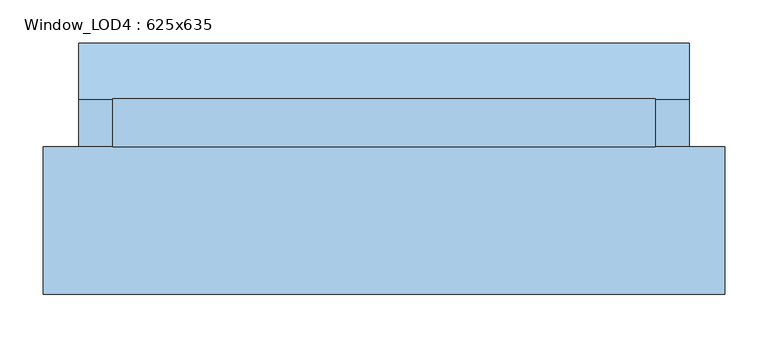
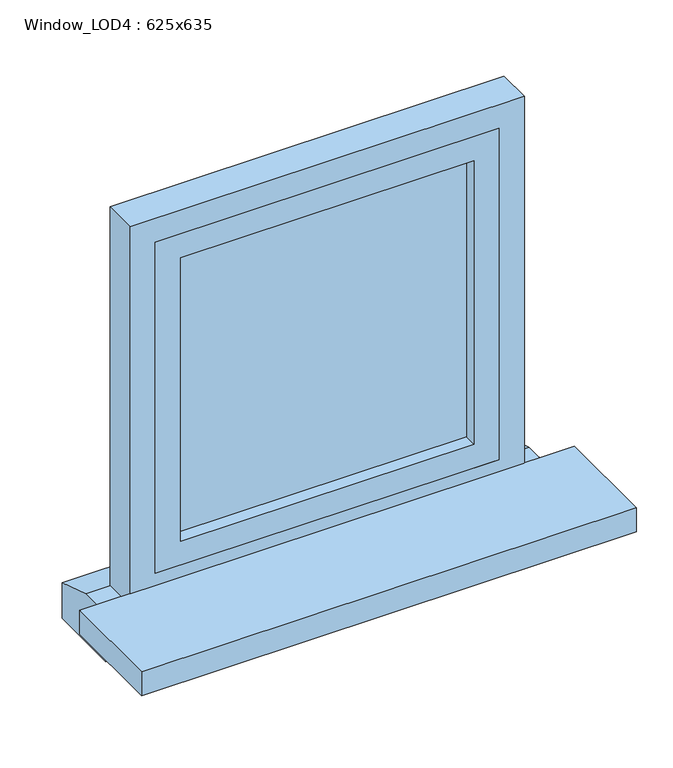
"""IFC4 building model written with IfcOpenShell, lengths in millimetres: window geometry, Window_LOD4 : 625x635."""

import ifcopenshell
import ifcopenshell.guid

model = None  # the IFC model being written
_history = None  # IfcOwnerHistory: only IFC2X3 demands one
_inside = {}  # id of a spatial element -> (the spatial element, [elements in it])
_under = {}  # id of a project, library or spatial element -> (it, [spatial elements below it])
_declared = {}  # id of a project -> (the project, [libraries it declares])
_typed = {}  # id of a type object -> (the type object, [elements of that type])
_made_of = {}  # id of a material, layer set ... -> (it, [elements and type objects made of it])


def new_model(schema):
    """Start an empty IFC model of exactly this schema.

    Asked for "IFC4X3", IfcOpenShell would pick the latest addendum, in which some entities
    have other attributes; the version numbers below select the first issue.
    IFC2X3 requires an IfcOwnerHistory on every rooted entity: one is made here for all.
    """
    global model, _history
    if schema == "IFC4X3":
        model = ifcopenshell.file(schema_version=(4, 3, 0, 0))
    else:
        model = ifcopenshell.file(schema=schema)
    _inside.clear()
    _under.clear()
    _declared.clear()
    _typed.clear()
    _made_of.clear()
    _history = None
    if model.schema == "IFC2X3":
        org = make("IfcOrganization", Name="unknown")
        user = make(
            "IfcPersonAndOrganization",
            ThePerson=make("IfcPerson", FamilyName="unknown"),
            TheOrganization=org,
        )
        app = make(
            "IfcApplication",
            ApplicationDeveloper=org,
            Version="unknown",
            ApplicationFullName="unknown",
            ApplicationIdentifier="unknown",
        )
        _history = make(
            "IfcOwnerHistory",
            OwningUser=user,
            OwningApplication=app,
            ChangeAction="ADDED",
            CreationDate=0,
        )
    return model


def make(cls, **values):
    """One entity of the class cls with the attributes given. An attribute that is None is left unset."""
    return model.create_entity(
        cls, **{name: value for name, value in values.items() if value is not None}
    )


def rooted(cls, **values):
    """An entity with a GlobalId (a new one), such as an element, a storey or a relation."""
    return make(cls, GlobalId=ifcopenshell.guid.new(), OwnerHistory=_history, **values)


def si_unit(unit_type, name, prefix=None):
    """IfcSIUnit, for example si_unit("LENGTHUNIT", "METRE", prefix="MILLI")."""
    return make("IfcSIUnit", UnitType=unit_type, Prefix=prefix, Name=name)


def assignment(units):
    """IfcUnitAssignment: the units of a project."""
    return None if units is None else make("IfcUnitAssignment", Units=units)


def point(xyz):
    """IfcCartesianPoint."""
    return None if xyz is None else make("IfcCartesianPoint", Coordinates=xyz)


def direction(xyz):
    """IfcDirection."""
    return None if xyz is None else make("IfcDirection", DirectionRatios=xyz)


def frame(location, z_axis=None, x_axis=None):
    """IfcAxis2Placement3D, a coordinate frame: its origin and axes. An axis left out is left unset."""
    return make(
        "IfcAxis2Placement3D",
        Location=point(location),
        Axis=direction(z_axis),
        RefDirection=direction(x_axis),
    )


def origin():
    """The frame at (0, 0, 0) with its axes left unset."""
    return frame((0.0, 0.0, 0.0))


def place(relative_to, where):
    """IfcLocalPlacement: puts the frame where relative to a parent placement (None: the world)."""
    return make(
        "IfcLocalPlacement", PlacementRelTo=relative_to, RelativePlacement=where
    )


def context(
    kind, dimensions, precision=None, world=None, true_north=None, identifier=None
):
    """IfcGeometricRepresentationContext, for example the 3D "Model" context."""
    return make(
        "IfcGeometricRepresentationContext",
        ContextIdentifier=identifier,
        ContextType=kind,
        CoordinateSpaceDimension=dimensions,
        Precision=precision,
        WorldCoordinateSystem=world,
        TrueNorth=true_north,
    )


def project(units=None, contexts=None):
    """IfcProject with its units and contexts."""
    return rooted(
        "IfcProject",
        Name="project",
        RepresentationContexts=contexts,
        UnitsInContext=assignment(units),
    )


def spatial(cls, under=None, at=None, **own):
    """A site, building, storey or space (cls), placed at a placement, below another one or the project."""
    s = rooted(cls, ObjectPlacement=at, **own)
    if under is not None:
        _under.setdefault(under.id(), (under, []))[1].append(s)
    return s


def polyline(points):
    """IfcPolyline through the points."""
    return make("IfcPolyline", Points=[point(p) for p in points])


def outline(outer, holes=None, kind="AREA"):
    """IfcArbitraryClosedProfileDef: a profile drawn as a closed curve; with holes, ...WithVoids."""
    if holes is None:
        return make("IfcArbitraryClosedProfileDef", ProfileType=kind, OuterCurve=outer)
    return make(
        "IfcArbitraryProfileDefWithVoids",
        ProfileType=kind,
        OuterCurve=outer,
        InnerCurves=holes,
    )


def extrude(swept, where, along, depth):
    """IfcExtrudedAreaSolid: the profile swept, set in the frame where, extruded along a direction by depth."""
    return make(
        "IfcExtrudedAreaSolid",
        SweptArea=swept,
        Position=where,
        ExtrudedDirection=direction(along),
        Depth=depth,
    )


def shape(context_of_items, identifier, shape_type, items):
    """IfcShapeRepresentation: the items that make up one representation, for example the "Body"."""
    return make(
        "IfcShapeRepresentation",
        ContextOfItems=context_of_items,
        RepresentationIdentifier=identifier,
        RepresentationType=shape_type,
        Items=items,
    )


def source(mapping_origin, context_of_items, identifier, shape_type, items):
    """IfcRepresentationMap: a shape defined once, which mapped items show again and again."""
    return make(
        "IfcRepresentationMap",
        MappingOrigin=mapping_origin,
        MappedRepresentation=shape(context_of_items, identifier, shape_type, items),
    )


def transform(
    local_origin,
    x_axis=None,
    y_axis=None,
    z_axis=None,
    scale=None,
    scale2=None,
    scale3=None,
    uniform=True,
):
    """IfcCartesianTransformationOperator3D, or its non-uniform kind. x_axis, y_axis, z_axis: its Axis1, 2, 3."""
    if uniform:
        return make(
            "IfcCartesianTransformationOperator3D",
            Axis1=direction(x_axis),
            Axis2=direction(y_axis),
            LocalOrigin=point(local_origin),
            Scale=scale,
            Axis3=direction(z_axis),
        )
    return make(
        "IfcCartesianTransformationOperator3DnonUniform",
        Axis1=direction(x_axis),
        Axis2=direction(y_axis),
        LocalOrigin=point(local_origin),
        Scale=scale,
        Axis3=direction(z_axis),
        Scale2=scale2,
        Scale3=scale3,
    )


def mapped(mapping_source, mapping_target):
    """IfcMappedItem: shows the shape of a source again, moved by a transform."""
    return make(
        "IfcMappedItem", MappingSource=mapping_source, MappingTarget=mapping_target
    )


def made_of(thing, what):
    """Note that an element or type object is made of a material, layer set ...; save() writes the relation."""
    if what is not None:
        _made_of.setdefault(what.id(), (what, []))[1].append(thing)
    return thing


def element(
    cls,
    number,
    at=None,
    inside=None,
    cuts=None,
    type_object=None,
    material=None,
    context=None,
    identifier="Body",
    shape_type=None,
    held_by="IfcProductDefinitionShape",
    body=None,
    shapes=None,
    **own,
):
    """One element of the class cls, such as IfcWall. Its Tag is "e" and its number.

    at: its placement. inside: the storey or other place that contains it. cuts: it is an
    opening in that element (IfcRelVoidsElement). A single representation is given by context,
    identifier, shape_type and body (its items); several are given by shapes. held_by: the class
    of the entity that holds the representations. save() writes the other relations.
    """
    e = rooted(cls, Tag="e%d" % number, ObjectPlacement=at, **own)
    if body is not None:
        shapes = [shape(context, identifier, shape_type, body)]
    if shapes is not None:
        e.Representation = make(held_by, Representations=shapes)
    if inside is not None:
        _inside.setdefault(inside.id(), (inside, []))[1].append(e)
    if cuts is not None:
        rooted(
            "IfcRelVoidsElement", RelatingBuildingElement=cuts, RelatedOpeningElement=e
        )
    if type_object is not None:
        _typed.setdefault(type_object.id(), (type_object, []))[1].append(e)
    return made_of(e, material)


def aggregate(whole, parts):
    """IfcRelAggregates: a whole, such as a stair, and the parts it consists of."""
    return rooted("IfcRelAggregates", RelatingObject=whole, RelatedObjects=parts)


def save(model, path):
    """Write the relations noted so far, then the file.

    IfcRelAggregates (storeys below a building ...), IfcRelContainedInSpatialStructure (elements
    in a storey), IfcRelDefinesByType, IfcRelAssociatesMaterial and IfcRelDeclares: one each for
    every whole, place, type object, material and project.
    """
    for whole, parts in _under.values():
        aggregate(whole, parts)
    for where, things in _inside.values():
        rooted(
            "IfcRelContainedInSpatialStructure",
            RelatedElements=things,
            RelatingStructure=where,
        )
    for kind, things in _typed.values():
        rooted("IfcRelDefinesByType", RelatedObjects=things, RelatingType=kind)
    for what, things in _made_of.values():
        rooted("IfcRelAssociatesMaterial", RelatedObjects=things, RelatingMaterial=what)
    for by, libraries in _declared.values():
        rooted("IfcRelDeclares", RelatingContext=by, RelatedDefinitions=libraries)
    model.write(path)


def window_lod4_625x635_61d94296(model_context):
    return source(origin(), model_context, "Body", "SweptSolid", [
        extrude(outline(polyline([(232.5000125, 97.5), (-232.5000125, 97.5), (-232.5000125, 112.5), (232.5000125, 112.5), (232.5000125, 97.5)])), frame((0.0, 0.0, 880.0), z_axis=(0.0, 0.0, 1.0), x_axis=(1.0, 0.0, 0.0)), (0.0, 0.0, 1.0), 475.0000254),
        extrude(outline(polyline([(1395.0000254, -272.5000125), (840.0, -272.5000125), (840.0, 272.5000125), (1395.0000254, 272.5000125), (1395.0000254, -272.5000125)]), holes=[polyline([(1355.0000254, -232.5000125), (1355.0000254, 232.5000125), (880.0, 232.5000125), (880.0, -232.5000125), (1355.0000254, -232.5000125)])]), frame((0.0, 77.5, 0.0), z_axis=(0.0, 1.0, 0.0), x_axis=(0.0, 0.0, 1.0)), (0.0, 0.0, 1.0), 55.0),
        extrude(outline(polyline([(132.5, 800.0), (196.4943516, 780.0), (196.4943516, 720.0), (77.5, 720.0), (77.5, 800.0), (132.5, 800.0)])), frame((-351.4966022, 0.0, 0.0), z_axis=(1.0, 0.0, 0.0), x_axis=(0.0, 1.0, 0.0)), (0.0, 0.0, 1.0), 702.9932045),
        extrude(outline(polyline([(1435.0000254, -312.5000125), (800.0, -312.5000125), (800.0, 312.5000125), (1435.0000254, 312.5000125), (1435.0000254, -312.5000125)]), holes=[polyline([(1395.0000254, -272.5000125), (1395.0000254, 272.5000125), (840.0, 272.5000125), (840.0, -272.5000125), (1395.0000254, -272.5000125)])]), frame((0.0, 77.5, 0.0), z_axis=(0.0, 1.0, 0.0), x_axis=(0.0, 0.0, 1.0)), (0.0, 0.0, 1.0), 55.0),
        extrude(outline(polyline([(392.5000125, 77.5), (392.5000125, -92.3887308), (-392.5000125, -92.3887308), (-392.5000125, 77.5), (392.5000125, 77.5)])), frame((0.0, 0.0, 780.0), z_axis=(0.0, 0.0, 1.0), x_axis=(1.0, 0.0, 0.0)), (0.0, 0.0, 1.0), 40.0),
    ])


if __name__ == "__main__":
    model = new_model("IFC4")
    model_context = context("Model", 3, world=origin())
    ifc_project = project(units=[si_unit("LENGTHUNIT", "METRE", prefix="MILLI")], contexts=[model_context])
    site = spatial("IfcSite", under=ifc_project)
    building = spatial("IfcBuilding", under=site)
    placement = place(None, origin())
    window_lod4_625x635_shape = window_lod4_625x635_61d94296(model_context)
    element("IfcWindow", 1, ObjectType="Window_LOD4 : 625x635", at=placement, inside=building, context=model_context, shape_type="MappedRepresentation", body=[
        mapped(window_lod4_625x635_shape, transform((0.0, 0.0, 0.0), x_axis=(1.0, 0.0, 0.0), y_axis=(0.0, 1.0, 0.0), z_axis=(0.0, 0.0, 1.0))),
    ])
    save(model, "model.ifc")
